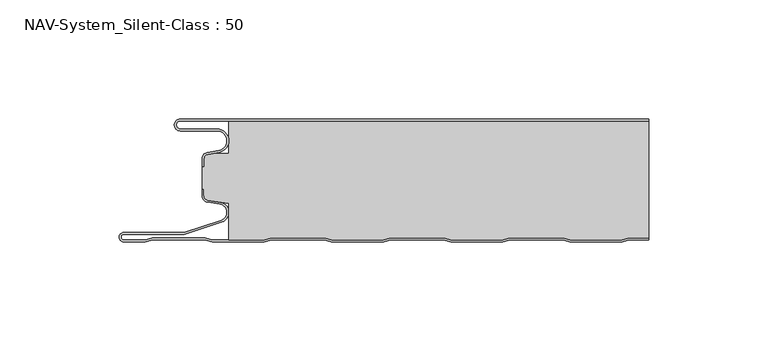
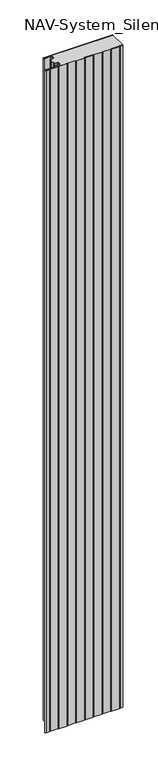
"""IFC4 building model written with IfcOpenShell, lengths in millimetres: plate geometry, NAV-System_Silent-Class : 50."""

from ifc_helpers import new_model, si_unit, frame, origin, place, context, project, spatial, polyline, circle_curve, source, transform, mapped, element, save
from ifc_brep_helpers import plane_surface, cylinder_surface, revolved_surface, advanced_brep


def nav_system_silent_class_50_6cc00ae6(model_context):
    return source(origin(), model_context, "Body", "AdvancedBrep", [
        advanced_brep(
        [(-97.0000001, -0.8000002, 0.0), (-97.0000001, -4.1999999, 0.0), (-81.6002086, -4.1999999, 0.0), (-80.7423864, -14.0049502, 0.0), (-85.6125665, -14.8636946, 0.0), (-87.1000004, -16.6363494, 0.0), (-87.1000014, -19.9421291, 0.0), (-87.9000014, -19.9421291, 0.0), (-87.9000014, -16.6363484, 0.0), (-85.7514853, -14.0758488, 0.0), (-80.8813015, -13.217104, 0.0), (-81.600205, -4.9999999, 0.0), (-97.0000001, -4.9999999, 0.0), (-97.0000001, 0.0, 0.0), (99.5, 0.0, 0.0), (99.5, -0.8, 0.0), (-97.0000001, 0.0, 2000.0), (-97.0000001, -4.9999999, 2000.0), (-81.600205, -4.9999999, 2000.0), (-80.8813015, -13.217104, 2000.0), (-85.7514853, -14.0758488, 2000.0), (-87.8999997, -16.6363484, 2000.0), (-87.9000014, -19.9421291, 2000.0), (-87.1000014, -19.9421291, 2000.0), (-87.1000014, -16.6363494, 2000.0), (-85.6125665, -14.8636946, 2000.0), (-80.7423864, -14.0049502, 2000.0), (-81.6002086, -4.1999999, 2000.0), (-97.0000001, -4.1999999, 2000.0), (-97.0000001, -0.8000002, 2000.0), (99.5, -0.8, 2000.0), (99.5, 0.0, 2000.0)],
        [
            (0, 1, circle_curve(frame((-97.0000001, -2.5, 0.0), z_axis=(0.0, 0.0, 1.0), x_axis=(1.0, 0.0, 0.0)), 1.6999999)),
            (1, 2),
            (2, 3, circle_curve(frame((-81.6002086, -9.1399999, 0.0), z_axis=(0.0, 0.0, -1.0), x_axis=(1.0, 0.0, 0.0)), 4.94)),
            (3, 4),
            (4, 5, circle_curve(frame((-85.2999995, -16.6363494, 0.0), z_axis=(0.0, 0.0, 1.0), x_axis=(1.0, 0.0, 0.0)), 1.8000009)),
            (5, 6),
            (6, 7),
            (7, 8),
            (8, 9, circle_curve(frame((-85.3000002, -16.6363484, 0.0), z_axis=(0.0, 0.0, -1.0), x_axis=(1.0, 0.0, 0.0)), 2.5999995)),
            (9, 10),
            (10, 11, circle_curve(frame((-81.600205, -9.1399999, 0.0), z_axis=(0.0, 0.0, 1.0), x_axis=(1.0, 0.0, 0.0)), 4.14)),
            (11, 12),
            (12, 13, circle_curve(frame((-97.0000001, -2.4999999, 0.0), z_axis=(0.0, 0.0, -1.0), x_axis=(1.0, 0.0, 0.0)), 2.4999999)),
            (13, 14),
            (14, 15),
            (15, 0),
            (16, 17, circle_curve(frame((-97.0000001, -2.4999999, 2000.0), z_axis=(0.0, 0.0, 1.0), x_axis=(1.0, 0.0, 0.0)), 2.4999999)),
            (17, 18),
            (18, 19, circle_curve(frame((-81.600205, -9.1399999, 2000.0), z_axis=(0.0, 0.0, -1.0), x_axis=(1.0, 0.0, 0.0)), 4.14)),
            (19, 20),
            (20, 21, circle_curve(frame((-85.3000002, -16.6363484, 2000.0), z_axis=(0.0, 0.0, 1.0), x_axis=(1.0, 0.0, 0.0)), 2.5999995)),
            (21, 22),
            (22, 23),
            (23, 24),
            (24, 25, circle_curve(frame((-85.2999995, -16.6363494, 2000.0), z_axis=(0.0, 0.0, -1.0), x_axis=(1.0, 0.0, 0.0)), 1.8000009)),
            (25, 26),
            (26, 27, circle_curve(frame((-81.6002086, -9.1399999, 2000.0), z_axis=(0.0, 0.0, 1.0), x_axis=(1.0, 0.0, 0.0)), 4.94)),
            (27, 28),
            (28, 29, circle_curve(frame((-97.0000001, -2.5, 2000.0), z_axis=(0.0, 0.0, -1.0), x_axis=(1.0, 0.0, 0.0)), 1.6999999)),
            (29, 30),
            (30, 31),
            (31, 16),
            (29, 0),
            (15, 30),
            (13, 16),
            (31, 14),
            (1, 28),
            (27, 2),
            (5, 24),
            (23, 6),
            (22, 7),
            (21, 8),
            (11, 18),
            (17, 12),
            (26, 3),
            (25, 4),
            (20, 9),
            (19, 10),
        ],
        [
            plane_surface(frame((-99.5, 0.0, 0.0), z_axis=(0.0, 0.0, -1.0), x_axis=(0.0, -1.0, 0.0))),
            plane_surface(frame((-99.5, 0.0, 2000.0), z_axis=(0.0, 0.0, 1.0), x_axis=(0.0, -1.0, 0.0))),
            plane_surface(frame((898.5000017, -0.8, 0.0), z_axis=(0.0, -1.0, 0.0), x_axis=(0.0, 0.0, 1.0))),
            plane_surface(frame((-97.0000001, 0.0, 0.0), z_axis=(0.0, 1.0, 0.0), x_axis=(0.0, 0.0, 1.0))),
            plane_surface(frame((-97.0000001, -4.1999999, 0.0), z_axis=(0.0, 1.0, 0.0), x_axis=(0.0, 0.0, 1.0))),
            plane_surface(frame((-87.1000014, -16.6363494, 0.0), z_axis=(1.0, 0.0, 0.0), x_axis=(0.0, 0.0, 1.0))),
            plane_surface(frame((-87.1000014, -19.9421291, 0.0), z_axis=(0.0, -1.0, 0.0), x_axis=(0.0, 0.0, 1.0))),
            plane_surface(frame((-87.9000014, -19.9421291, 0.0), z_axis=(-1.0, 0.0, 0.0), x_axis=(0.0, 0.0, 1.0))),
            plane_surface(frame((-81.600205, -4.9999999, 0.0), z_axis=(0.0, -1.0, 0.0), x_axis=(0.0, 0.0, 1.0))),
            revolved_surface(polyline([(-95.3000002, -2.5, 2000.0), (-95.3000002, -2.5, 0.0)]), (-97.0000001, -2.5, 0.0), (0.0, 0.0, 1.0)),
            cylinder_surface(frame((-81.6002086, -9.1399999, 0.0), z_axis=(0.0, 0.0, -1.0), x_axis=(1.0, 0.0, 0.0)), 4.94),
            plane_surface(frame((-80.7423864, -14.0049502, 0.0), z_axis=(0.17364822279076972, -0.9848077450556567, 0.0), x_axis=(0.0, 0.0, 1.0))),
            revolved_surface(polyline([(-83.4999986, -16.6363494, 2000.0), (-83.4999986, -16.6363494, 0.0)]), (-85.2999995, -16.6363494, 0.0), (0.0, 0.0, 1.0)),
            cylinder_surface(frame((-85.3000002, -16.6363484, 0.0), z_axis=(0.0, 0.0, -1.0), x_axis=(1.0, 0.0, 0.0)), 2.5999995),
            plane_surface(frame((-85.7514853, -14.0758488, 0.0), z_axis=(-0.17364817295915452, 0.984807753842316, 0.0), x_axis=(0.0, 0.0, 1.0))),
            revolved_surface(polyline([(-77.460205, -9.1399999, 2000.0), (-77.460205, -9.1399999, 0.0)]), (-81.600205, -9.1399999, 0.0), (0.0, 0.0, 1.0)),
            cylinder_surface(frame((-97.0000001, -2.4999999, 0.0), z_axis=(0.0, 0.0, -1.0), x_axis=(1.0, 0.0, 0.0)), 2.4999999),
            plane_surface(frame((99.5, 100.0, 2000.0), z_axis=(1.0, 0.0, 0.0), x_axis=(0.0, 0.0, -1.0))),
        ],
        [
            (0, [[1, 2, 3, 4, 5, 6, 7, 8, 9, 10, 11, 12, 13, 14, 15, 16]]),
            (1, [[17, 18, 19, 20, 21, 22, 23, 24, 25, 26, 27, 28, 29, 30, 31, 32]]),
            (2, [[33, -16, 34, -30]]),
            (3, [[35, -32, 36, -14]]),
            (4, [[-2, 37, -28, 38]]),
            (5, [[-6, 39, -24, 40]]),
            (6, [[-7, -40, -23, 41]]),
            (7, [[-8, -41, -22, 42]]),
            (8, [[-12, 43, -18, 44]]),
            (9, [[-1, -33, -29, -37]]),
            (10, [[-3, -38, -27, 45]]),
            (11, [[-4, -45, -26, 46]]),
            (12, [[-5, -46, -25, -39]]),
            (13, [[-9, -42, -21, 47]]),
            (14, [[-10, -47, -20, 48]]),
            (15, [[-11, -48, -19, -43]]),
            (16, [[-13, -44, -17, -35]]),
            (17, [[-15, -36, -31, -34]]),
        ],
    ),
        advanced_brep(
        [(-76.6719045, -0.8, 2000.0), (-76.6719045, -14.4343223, 2000.0), (-83.1891722, -14.4343223, 2000.0), (-85.6242625, -14.8636946, 2000.0), (-87.1116964, -16.636349, 2000.0), (-87.1116974, -19.9512003, 2000.0), (-87.9116974, -19.9512003, 2000.0), (-87.9116974, -29.3983656, 2000.0), (-87.1116974, -29.3983656, 2000.0), (-87.1116974, -32.1656409, 2000.0), (-85.4245663, -34.1410176, 2000.0), (-76.6248082, -35.5347623, 2000.0), (-76.6248082, -50.8, 2000.0), (-61.8218295, -50.8, 2000.0), (-58.7610803, -50.0, 2000.0), (-36.5891849, -50.0, 2000.0), (-33.5284357, -50.8, 2000.0), (-11.8218295, -50.8, 2000.0), (-8.7610803, -50.0, 2000.0), (13.4108151, -50.0, 2000.0), (16.4715643, -50.8, 2000.0), (38.1904, -50.8, 2000.0), (41.2511493, -50.0, 2000.0), (63.4108151, -50.0, 2000.0), (66.4715643, -50.8, 2000.0), (88.1781705, -50.8, 2000.0), (91.2389197, -50.0, 2000.0), (99.5, -50.0, 2000.0), (99.5, -0.8, 2000.0), (91.2389197, -50.0, 0.0), (88.1781705, -50.8, 0.0), (66.4715643, -50.8, 0.0), (63.4108151, -50.0, 0.0), (41.2511493, -50.0, 0.0), (38.1904, -50.8, 0.0), (16.4715643, -50.8, 0.0), (13.4108151, -50.0, 0.0), (-8.7610803, -50.0, 0.0), (-11.8218295, -50.8, 0.0), (-33.5284357, -50.8, 0.0), (-36.5891849, -50.0, 0.0), (-58.7610803, -50.0, 0.0), (-61.8218295, -50.8, 0.0), (-76.6248082, -50.8, 0.0), (-76.6248082, -35.5347623, 0.0), (-85.4245663, -34.1410176, 0.0), (-87.1116974, -32.1656409, 0.0), (-87.1116974, -29.3983656, 0.0), (-87.9116974, -29.3983656, 0.0), (-87.9116974, -19.9512003, 0.0), (-87.1116974, -19.9512003, 0.0), (-87.1116974, -16.636349, 0.0), (-85.6242625, -14.8636946, 0.0), (-83.1891722, -14.4343223, 0.0), (-76.6719045, -14.4343223, 0.0), (-76.6719045, -0.8, 0.0), (99.5, -0.8, 0.0), (99.5, -50.0, 0.0)],
        [
            (0, 1),
            (1, 2),
            (2, 3),
            (3, 4, circle_curve(frame((-85.3116955, -16.6363494, 2000.0), z_axis=(0.0, 0.0, 1.0), x_axis=(1.0, 0.0, 0.0)), 1.8000009)),
            (4, 5),
            (5, 6),
            (6, 7),
            (7, 8),
            (8, 9),
            (9, 10, circle_curve(frame((-85.1116974, -32.1656409, 2000.0), z_axis=(0.0, 0.0, 1.0), x_axis=(1.0, 0.0, 0.0)), 2.0)),
            (10, 11),
            (11, 12),
            (12, 13),
            (13, 14),
            (14, 15),
            (15, 16),
            (16, 17),
            (17, 18),
            (18, 19),
            (19, 20),
            (20, 21),
            (21, 22),
            (22, 23),
            (23, 24),
            (24, 25),
            (25, 26),
            (26, 27),
            (27, 28),
            (28, 0),
            (29, 30),
            (30, 31),
            (31, 32),
            (32, 33),
            (33, 34),
            (34, 35),
            (35, 36),
            (36, 37),
            (37, 38),
            (38, 39),
            (39, 40),
            (40, 41),
            (41, 42),
            (42, 43),
            (43, 44),
            (44, 45),
            (45, 46, circle_curve(frame((-85.1116974, -32.1656409, 0.0), z_axis=(0.0, 0.0, -1.0), x_axis=(1.0, 0.0, 0.0)), 2.0)),
            (46, 47),
            (47, 48),
            (48, 49),
            (49, 50),
            (50, 51),
            (51, 52, circle_curve(frame((-85.3116955, -16.6363494, 0.0), z_axis=(0.0, 0.0, -1.0), x_axis=(1.0, 0.0, 0.0)), 1.8000009)),
            (52, 53),
            (53, 54),
            (54, 55),
            (55, 56),
            (56, 57),
            (57, 29),
            (55, 0),
            (28, 56),
            (54, 1),
            (53, 2),
            (52, 3),
            (51, 4),
            (50, 5),
            (49, 6),
            (48, 7),
            (47, 8),
            (46, 9),
            (45, 10),
            (44, 11),
            (43, 12),
            (42, 13),
            (41, 14),
            (40, 15),
            (39, 16),
            (38, 17),
            (37, 18),
            (36, 19),
            (35, 20),
            (34, 21),
            (33, 22),
            (32, 23),
            (31, 24),
            (30, 25),
            (29, 26),
            (57, 27),
        ],
        [
            plane_surface(frame((-99.5, 0.0, 2000.0), z_axis=(0.0, 0.0, 1.0), x_axis=(0.0, -1.0, 0.0))),
            plane_surface(frame((-99.5, 0.0, 0.0), z_axis=(0.0, 0.0, -1.0), x_axis=(0.0, -1.0, 0.0))),
            plane_surface(frame((898.4883057, -0.8, 2000.0), z_axis=(0.0, 1.0, 0.0), x_axis=(0.0, 0.0, -1.0))),
            plane_surface(frame((-76.6719045, -0.8, 2000.0), z_axis=(-1.0, 0.0, 0.0), x_axis=(0.0, 0.0, -1.0))),
            plane_surface(frame((-76.6719045, -14.4343223, 2000.0), z_axis=(0.0, 1.0, 0.0), x_axis=(0.0, 0.0, -1.0))),
            plane_surface(frame((-83.1891722, -14.4343223, 2000.0), z_axis=(-0.17364822279077605, 0.9848077450556556, 0.0), x_axis=(0.0, 0.0, -1.0))),
            cylinder_surface(frame((-85.3116955, -16.6363494, 2000.0), z_axis=(0.0, 0.0, 1.0), x_axis=(1.0, 0.0, 0.0)), 1.8000009),
            plane_surface(frame((-87.1116974, -16.636349, 2000.0), z_axis=(-1.0, 0.0, 0.0), x_axis=(0.0, 0.0, -1.0))),
            plane_surface(frame((-87.1116974, -19.9512003, 2000.0), z_axis=(0.0, 1.0, 0.0), x_axis=(0.0, 0.0, -1.0))),
            plane_surface(frame((-87.9116974, -19.9512003, 2000.0), z_axis=(-1.0, 0.0, 0.0), x_axis=(0.0, 0.0, -1.0))),
            plane_surface(frame((-87.9116974, -29.3983656, 2000.0), z_axis=(0.0, -1.0, 0.0), x_axis=(0.0, 0.0, -1.0))),
            plane_surface(frame((-87.1116974, -29.3983656, 2000.0), z_axis=(-1.0, 0.0, 0.0), x_axis=(0.0, 0.0, -1.0))),
            cylinder_surface(frame((-85.1116974, -32.1656409, 2000.0), z_axis=(0.0, 0.0, 1.0), x_axis=(1.0, 0.0, 0.0)), 2.0),
            plane_surface(frame((-85.4245663, -34.1410176, 2000.0), z_axis=(-0.1564344650399784, -0.9876883405951777, 0.0), x_axis=(0.0, 0.0, -1.0))),
            plane_surface(frame((-76.6248082, -35.5347623, 2000.0), z_axis=(-1.0, 0.0, 0.0), x_axis=(0.0, 0.0, -1.0))),
            plane_surface(frame((-76.6248082, -50.8, 2000.0), z_axis=(0.0, -1.0, 0.0), x_axis=(0.0, 0.0, -1.0))),
            plane_surface(frame((-61.8218295, -50.8, 2000.0), z_axis=(0.2528787310081783, -0.9674979831522613, 0.0), x_axis=(0.0, 0.0, -1.0))),
            plane_surface(frame((-58.7610803, -50.0, 2000.0), z_axis=(0.0, -1.0, 0.0), x_axis=(0.0, 0.0, -1.0))),
            plane_surface(frame((-36.5891849, -50.0, 2000.0), z_axis=(-0.2528787310100107, -0.9674979831517825, 0.0), x_axis=(0.0, 0.0, -1.0))),
            plane_surface(frame((-33.5284357, -50.8, 2000.0), z_axis=(0.0, -1.0, 0.0), x_axis=(0.0, 0.0, -1.0))),
            plane_surface(frame((-11.8218295, -50.8, 2000.0), z_axis=(0.2528787310082462, -0.9674979831522437, 0.0), x_axis=(0.0, 0.0, -1.0))),
            plane_surface(frame((-8.7610803, -50.0, 2000.0), z_axis=(0.0, -1.0, 0.0), x_axis=(0.0, 0.0, -1.0))),
            plane_surface(frame((13.4108151, -50.0, 2000.0), z_axis=(-0.25287873100843644, -0.9674979831521939, 0.0), x_axis=(0.0, 0.0, -1.0))),
            plane_surface(frame((16.4715643, -50.8, 2000.0), z_axis=(0.0, -1.0, 0.0), x_axis=(0.0, 0.0, -1.0))),
            plane_surface(frame((38.1904, -50.8, 2000.0), z_axis=(0.25287873100806824, -0.9674979831522902, 0.0), x_axis=(0.0, 0.0, -1.0))),
            plane_surface(frame((41.2511493, -50.0, 2000.0), z_axis=(0.0, -1.0, 0.0), x_axis=(0.0, 0.0, -1.0))),
            plane_surface(frame((63.4108151, -50.0, 2000.0), z_axis=(-0.25287873100835406, -0.9674979831522155, 0.0), x_axis=(0.0, 0.0, -1.0))),
            plane_surface(frame((66.4715643, -50.8, 2000.0), z_axis=(0.0, -1.0, 0.0), x_axis=(0.0, 0.0, -1.0))),
            plane_surface(frame((88.1781705, -50.8, 2000.0), z_axis=(0.25287873100822345, -0.9674979831522497, 0.0), x_axis=(0.0, 0.0, -1.0))),
            plane_surface(frame((91.2389197, -50.0, 2000.0), z_axis=(0.0, -1.0, 0.0), x_axis=(0.0, 0.0, -1.0))),
            plane_surface(frame((99.5, 100.0, 2000.0), z_axis=(1.0, 0.0, 0.0), x_axis=(0.0, 0.0, -1.0))),
        ],
        [
            (0, [[1, 2, 3, 4, 5, 6, 7, 8, 9, 10, 11, 12, 13, 14, 15, 16, 17, 18, 19, 20, 21, 22, 23, 24, 25, 26, 27, 28, 29]]),
            (1, [[30, 31, 32, 33, 34, 35, 36, 37, 38, 39, 40, 41, 42, 43, 44, 45, 46, 47, 48, 49, 50, 51, 52, 53, 54, 55, 56, 57, 58]]),
            (2, [[59, -29, 60, -56]]),
            (3, [[-1, -59, -55, 61]]),
            (4, [[-2, -61, -54, 62]]),
            (5, [[-3, -62, -53, 63]]),
            (6, [[-4, -63, -52, 64]]),
            (7, [[-5, -64, -51, 65]]),
            (8, [[-6, -65, -50, 66]]),
            (9, [[-7, -66, -49, 67]]),
            (10, [[-8, -67, -48, 68]]),
            (11, [[-9, -68, -47, 69]]),
            (12, [[-10, -69, -46, 70]]),
            (13, [[-11, -70, -45, 71]]),
            (14, [[-12, -71, -44, 72]]),
            (15, [[-13, -72, -43, 73]]),
            (16, [[-14, -73, -42, 74]]),
            (17, [[-15, -74, -41, 75]]),
            (18, [[-16, -75, -40, 76]]),
            (19, [[-17, -76, -39, 77]]),
            (20, [[-18, -77, -38, 78]]),
            (21, [[-19, -78, -37, 79]]),
            (22, [[-20, -79, -36, 80]]),
            (23, [[-21, -80, -35, 81]]),
            (24, [[-22, -81, -34, 82]]),
            (25, [[-23, -82, -33, 83]]),
            (26, [[-24, -83, -32, 84]]),
            (27, [[-25, -84, -31, 85]]),
            (28, [[-26, -85, -30, 86]]),
            (29, [[-86, -58, 87, -27]]),
            (30, [[-28, -87, -57, -60]]),
        ],
    ),
        advanced_brep(
        [(91.239397, -50.0, 2000.0), (88.1786477, -50.8, 2000.0), (66.4720416, -50.8, 2000.0), (63.4112923, -50.0, 2000.0), (41.2516265, -50.0, 2000.0), (38.1908772, -50.8, 2000.0), (16.4720416, -50.8, 2000.0), (13.4112923, -50.0, 2000.0), (-8.760603, -50.0, 2000.0), (-11.8213523, -50.8, 2000.0), (-33.5279584, -50.8, 2000.0), (-36.5887077, -50.0, 2000.0), (-58.760603, -50.0, 2000.0), (-61.8213523, -50.8, 2000.0), (-83.5279584, -50.8, 2000.0), (-86.5887077, -50.0, 2000.0), (-108.760603, -50.0, 2000.0), (-111.8190206, -50.7993906, 2000.0), (-120.7154182, -50.7993906, 2000.0), (-120.6771783, -48.4000003, 2000.0), (-95.3414726, -48.4000003, 2000.0), (-79.6231923, -43.2926893, 2000.0), (-80.2358126, -34.9629887, 2000.0), (-85.4240891, -34.1412465, 2000.0), (-87.1112201, -32.1658698, 2000.0), (-87.1112201, -29.3985945, 2000.0), (-87.9112201, -29.3985945, 2000.0), (-87.9112201, -32.1658698, 2000.0), (-85.5140582, -34.93674, 2000.0), (-80.4044746, -35.7460185, 2000.0), (-79.8704103, -42.5316172, 2000.0), (-95.4681798, -47.6000003, 2000.0), (-120.6771783, -47.6000003, 2000.0), (-120.726556, -51.5993906, 2000.0), (-111.7161981, -51.5993906, 2000.0), (-108.6577806, -50.8, 2000.0), (-86.6915302, -50.8, 2000.0), (-83.6307809, -51.6, 2000.0), (-61.7185298, -51.6, 2000.0), (-58.6577806, -50.8, 2000.0), (-36.6915302, -50.8, 2000.0), (-33.6307809, -51.6, 2000.0), (-11.7185298, -51.6, 2000.0), (-8.6577806, -50.8, 2000.0), (13.3084698, -50.8, 2000.0), (16.3692191, -51.6, 2000.0), (38.2936997, -51.6, 2000.0), (41.354449, -50.8, 2000.0), (63.3084698, -50.8, 2000.0), (66.3692191, -51.6, 2000.0), (88.2814702, -51.6, 2000.0), (91.3422194, -50.8, 2000.0), (99.5, -50.8, 2000.0), (99.5, -50.0, 2000.0), (91.3422194, -50.8, 0.0), (88.2814702, -51.6, 0.0), (66.3692191, -51.6, 0.0), (63.3084698, -50.8, 0.0), (41.354449, -50.8, 0.0), (38.2936997, -51.6, 0.0), (16.3692191, -51.6, 0.0), (13.3084698, -50.8, 0.0), (-8.6577806, -50.8, 0.0), (-11.7185298, -51.6, 0.0), (-33.6307809, -51.6, 0.0), (-36.6915302, -50.8, 0.0), (-58.6577806, -50.8, 0.0), (-61.7185298, -51.6, 0.0), (-83.6307809, -51.6, 0.0), (-86.6915302, -50.8, 0.0), (-108.6577806, -50.8, 0.0), (-111.7161981, -51.5993906, 0.0), (-120.726556, -51.5993906, 0.0), (-120.6771783, -47.6000003, 0.0), (-95.4681798, -47.6000003, 0.0), (-79.8704103, -42.5318461, 0.0), (-80.4044746, -35.7460185, 0.0), (-85.5140582, -34.93674, 0.0), (-87.9112201, -32.1658698, 0.0), (-87.9112201, -29.3985945, 0.0), (-87.1112201, -29.3985945, 0.0), (-87.1112201, -32.1658698, 0.0), (-85.4240891, -34.1412465, 0.0), (-80.2358126, -34.9629887, 0.0), (-79.6231923, -43.2924604, 0.0), (-95.3414726, -48.4000003, 0.0), (-120.6771783, -48.4000003, 0.0), (-120.7154182, -50.7993906, 0.0), (-111.8190206, -50.7993906, 0.0), (-108.760603, -50.0, 0.0), (-86.5887077, -50.0, 0.0), (-83.5279584, -50.8, 0.0), (-61.8213523, -50.8, 0.0), (-58.760603, -50.0, 0.0), (-36.5887077, -50.0, 0.0), (-33.5279584, -50.8, 0.0), (-11.8213523, -50.8, 0.0), (-8.760603, -50.0, 0.0), (13.4112923, -50.0, 0.0), (16.4720416, -50.8, 0.0), (38.1908772, -50.8, 0.0), (41.2516265, -50.0, 0.0), (63.4112923, -50.0, 0.0), (66.4720416, -50.8, 0.0), (88.1786477, -50.8, 0.0), (91.239397, -50.0, 0.0), (99.5, -50.0, 0.0), (99.5, -50.8, 0.0)],
        [
            (0, 1),
            (1, 2),
            (2, 3),
            (3, 4),
            (4, 5),
            (5, 6),
            (6, 7),
            (7, 8),
            (8, 9),
            (9, 10),
            (10, 11),
            (11, 12),
            (12, 13),
            (13, 14),
            (14, 15),
            (15, 16),
            (16, 17),
            (17, 18),
            (18, 19, circle_curve(frame((-120.6771783, -49.6000001, 2000.0), z_axis=(0.0, 0.0, -1.0), x_axis=(1.0, 0.0, 0.0)), 1.1999999)),
            (19, 20),
            (20, 21),
            (21, 22, circle_curve(frame((-80.9519964, -39.2029275, 2000.0), z_axis=(0.0, 0.0, 1.0), x_axis=(1.0, 0.0, 0.0)), 4.3)),
            (22, 23),
            (23, 24, circle_curve(frame((-85.1112201, -32.1658698, 2000.0), z_axis=(0.0, 0.0, -1.0), x_axis=(1.0, 0.0, 0.0)), 2.0)),
            (24, 25),
            (25, 26),
            (26, 27),
            (27, 28, circle_curve(frame((-85.1112201, -32.1658698, 2000.0), z_axis=(0.0, 0.0, 1.0), x_axis=(1.0, 0.0, 0.0)), 2.8)),
            (28, 29),
            (29, 30, circle_curve(frame((-80.9519952, -39.2029277, 2000.0), z_axis=(0.0, 0.0, -1.0), x_axis=(1.0, 0.0, 0.0)), 3.5)),
            (30, 31),
            (31, 32),
            (32, 33, circle_curve(frame((-120.6771783, -49.6000003, 2000.0), z_axis=(0.0, 0.0, 1.0), x_axis=(1.0, 0.0, 0.0)), 1.9999999)),
            (33, 34),
            (34, 35),
            (35, 36),
            (36, 37),
            (37, 38),
            (38, 39),
            (39, 40),
            (40, 41),
            (41, 42),
            (42, 43),
            (43, 44),
            (44, 45),
            (45, 46),
            (46, 47),
            (47, 48),
            (48, 49),
            (49, 50),
            (50, 51),
            (51, 52),
            (52, 53),
            (53, 0),
            (54, 55),
            (55, 56),
            (56, 57),
            (57, 58),
            (58, 59),
            (59, 60),
            (60, 61),
            (61, 62),
            (62, 63),
            (63, 64),
            (64, 65),
            (65, 66),
            (66, 67),
            (67, 68),
            (68, 69),
            (69, 70),
            (70, 71),
            (71, 72),
            (72, 73, circle_curve(frame((-120.6771783, -49.6000003, 0.0), z_axis=(0.0, 0.0, -1.0), x_axis=(1.0, 0.0, 0.0)), 1.9999999)),
            (73, 74),
            (74, 75),
            (75, 76, circle_curve(frame((-80.9519952, -39.2029277, 0.0), z_axis=(0.0, 0.0, 1.0), x_axis=(1.0, 0.0, 0.0)), 3.5)),
            (76, 77),
            (77, 78, circle_curve(frame((-85.1112201, -32.1658698, 0.0), z_axis=(0.0, 0.0, -1.0), x_axis=(1.0, 0.0, 0.0)), 2.8)),
            (78, 79),
            (79, 80),
            (80, 81),
            (81, 82, circle_curve(frame((-85.1112201, -32.1658698, 0.0), z_axis=(0.0, 0.0, 1.0), x_axis=(1.0, 0.0, 0.0)), 2.0)),
            (82, 83),
            (83, 84, circle_curve(frame((-80.9519964, -39.2029275, 0.0), z_axis=(0.0, 0.0, -1.0), x_axis=(1.0, 0.0, 0.0)), 4.3)),
            (84, 85),
            (85, 86),
            (86, 87, circle_curve(frame((-120.6771783, -49.6000001, 0.0), z_axis=(0.0, 0.0, 1.0), x_axis=(1.0, 0.0, 0.0)), 1.1999999)),
            (87, 88),
            (88, 89),
            (89, 90),
            (90, 91),
            (91, 92),
            (92, 93),
            (93, 94),
            (94, 95),
            (95, 96),
            (96, 97),
            (97, 98),
            (98, 99),
            (99, 100),
            (100, 101),
            (101, 102),
            (102, 103),
            (103, 104),
            (104, 105),
            (105, 106),
            (106, 107),
            (107, 54),
            (17, 88),
            (87, 18),
            (86, 19),
            (85, 20),
            (84, 21),
            (22, 83),
            (82, 23),
            (81, 24),
            (80, 25),
            (79, 26),
            (78, 27),
            (77, 28),
            (30, 75),
            (74, 31),
            (73, 32),
            (72, 33),
            (71, 34),
            (105, 0),
            (53, 106),
            (104, 1),
            (103, 2),
            (102, 3),
            (101, 4),
            (100, 5),
            (99, 6),
            (98, 7),
            (97, 8),
            (96, 9),
            (95, 10),
            (94, 11),
            (93, 12),
            (92, 13),
            (91, 14),
            (90, 15),
            (89, 16),
            (76, 29),
            (70, 35),
            (69, 36),
            (68, 37),
            (67, 38),
            (66, 39),
            (65, 40),
            (64, 41),
            (63, 42),
            (62, 43),
            (61, 44),
            (60, 45),
            (59, 46),
            (58, 47),
            (57, 48),
            (56, 49),
            (55, 50),
            (54, 51),
            (107, 52),
        ],
        [
            plane_surface(frame((-99.5, -51.6, 2000.0), z_axis=(0.0, 0.0, 1.0), x_axis=(-1.0, 0.0, 0.0))),
            plane_surface(frame((-99.5, -51.6, 0.0), z_axis=(0.0, 0.0, -1.0), x_axis=(-1.0, 0.0, 0.0))),
            plane_surface(frame((-111.8190206, -50.7993906, 2000.0), z_axis=(0.0, 1.0, 0.0), x_axis=(0.0, 0.0, -1.0))),
            revolved_surface(polyline([(-119.4771784, -49.6000001, 0.0), (-119.4771784, -49.6000001, 2000.0)]), (-120.6771783, -49.6000001, 2000.0), (0.0, 0.0, -1.0)),
            plane_surface(frame((-120.6771783, -48.4000003, 2000.0), z_axis=(0.0, -1.0, 0.0), x_axis=(0.0, 0.0, -1.0))),
            plane_surface(frame((-95.3414726, -48.4000003, 2000.0), z_axis=(0.30902422182651945, -0.9510541679234229, 0.0), x_axis=(0.0, 0.0, -1.0))),
            plane_surface(frame((-80.2358126, -34.9629887, 2000.0), z_axis=(0.15643446504003203, 0.9876883405951694, 0.0), x_axis=(0.0, 0.0, -1.0))),
            revolved_surface(polyline([(-83.1112201, -32.1658698, 0.0), (-83.1112201, -32.1658698, 2000.0)]), (-85.1112201, -32.1658698, 2000.0), (0.0, 0.0, -1.0)),
            plane_surface(frame((-87.1112201, -32.1658698, 2000.0), z_axis=(1.0, 0.0, 0.0), x_axis=(0.0, 0.0, -1.0))),
            plane_surface(frame((-87.1112201, -29.3985945, 2000.0), z_axis=(0.0, 1.0, 0.0), x_axis=(0.0, 0.0, -1.0))),
            plane_surface(frame((-87.9112201, -29.3985945, 2000.0), z_axis=(-1.0, 0.0, 0.0), x_axis=(0.0, 0.0, -1.0))),
            cylinder_surface(frame((-85.1112201, -32.1658698, 2000.0), z_axis=(0.0, 0.0, 1.0), x_axis=(1.0, 0.0, 0.0)), 2.8),
            plane_surface(frame((-79.8704103, -42.5318461, 2000.0), z_axis=(-0.3090242543637345, 0.9510541573511668, 0.0), x_axis=(0.0, 0.0, -1.0))),
            plane_surface(frame((-95.4681798, -47.6000003, 2000.0), z_axis=(0.0, 1.0, 0.0), x_axis=(0.0, 0.0, -1.0))),
            cylinder_surface(frame((-120.6771783, -49.6000003, 2000.0), z_axis=(0.0, 0.0, 1.0), x_axis=(1.0, 0.0, 0.0)), 1.9999999),
            plane_surface(frame((-120.726556, -51.5993906, 2000.0), z_axis=(0.0, -1.0, 0.0), x_axis=(0.0, 0.0, -1.0))),
            plane_surface(frame((113.4112923, -50.0, 2000.0), z_axis=(0.0, 1.0, 0.0), x_axis=(0.0, 0.0, -1.0))),
            plane_surface(frame((91.239397, -50.0, 2000.0), z_axis=(-0.25287873100816, 0.9674979831522662, 0.0), x_axis=(0.0, 0.0, -1.0))),
            plane_surface(frame((88.1786477, -50.8, 2000.0), z_axis=(0.0, 1.0, 0.0), x_axis=(0.0, 0.0, -1.0))),
            plane_surface(frame((66.4720416, -50.8, 2000.0), z_axis=(0.2528787310081598, 0.9674979831522662, 0.0), x_axis=(0.0, 0.0, -1.0))),
            plane_surface(frame((63.4112923, -50.0, 2000.0), z_axis=(0.0, 1.0, 0.0), x_axis=(0.0, 0.0, -1.0))),
            plane_surface(frame((41.2516265, -50.0, 2000.0), z_axis=(-0.25287873100816, 0.9674979831522662, 0.0), x_axis=(0.0, 0.0, -1.0))),
            plane_surface(frame((38.1908772, -50.8, 2000.0), z_axis=(0.0, 1.0, 0.0), x_axis=(0.0, 0.0, -1.0))),
            plane_surface(frame((16.4720416, -50.8, 2000.0), z_axis=(0.2528787310083406, 0.9674979831522191, 0.0), x_axis=(0.0, 0.0, -1.0))),
            plane_surface(frame((13.4112923, -50.0, 2000.0), z_axis=(0.0, 1.0, 0.0), x_axis=(0.0, 0.0, -1.0))),
            plane_surface(frame((-8.760603, -50.0, 2000.0), z_axis=(-0.25287873100834074, 0.9674979831522189, 0.0), x_axis=(0.0, 0.0, -1.0))),
            plane_surface(frame((-11.8213523, -50.8, 2000.0), z_axis=(0.0, 1.0, 0.0), x_axis=(0.0, 0.0, -1.0))),
            plane_surface(frame((-33.5279584, -50.8, 2000.0), z_axis=(0.2528787310081598, 0.9674979831522662, 0.0), x_axis=(0.0, 0.0, -1.0))),
            plane_surface(frame((-36.5887077, -50.0, 2000.0), z_axis=(0.0, 1.0, 0.0), x_axis=(0.0, 0.0, -1.0))),
            plane_surface(frame((-58.760603, -50.0, 2000.0), z_axis=(-0.25287873100816, 0.9674979831522662, 0.0), x_axis=(0.0, 0.0, -1.0))),
            plane_surface(frame((-61.8213523, -50.8, 2000.0), z_axis=(0.0, 1.0, 0.0), x_axis=(0.0, 0.0, -1.0))),
            plane_surface(frame((-83.5279584, -50.8, 2000.0), z_axis=(0.2528787310081598, 0.9674979831522662, 0.0), x_axis=(0.0, 0.0, -1.0))),
            plane_surface(frame((-86.5887077, -50.0, 2000.0), z_axis=(0.0, 1.0, 0.0), x_axis=(0.0, 0.0, -1.0))),
            plane_surface(frame((-108.760603, -50.0, 2000.0), z_axis=(-0.25287873100816, 0.9674979831522662, 0.0), x_axis=(0.0, 0.0, -1.0))),
            cylinder_surface(frame((-80.9519964, -39.2029275, 2000.0), z_axis=(0.0, 0.0, 1.0), x_axis=(1.0, 0.0, 0.0)), 4.3),
            plane_surface(frame((-85.5140582, -34.93674, 2000.0), z_axis=(-0.15643446504045883, -0.9876883405951018, 0.0), x_axis=(0.0, 0.0, -1.0))),
            revolved_surface(polyline([(-77.4519952, -39.2029277, 0.0), (-77.4519952, -39.2029277, 2000.0)]), (-80.9519952, -39.2029277, 2000.0), (0.0, 0.0, -1.0)),
            plane_surface(frame((-111.7161981, -51.5993906, 2000.0), z_axis=(0.25287873100765673, -0.9674979831523978, 0.0), x_axis=(0.0, 0.0, -1.0))),
            plane_surface(frame((-108.6577806, -50.8, 2000.0), z_axis=(0.0, -1.0, 0.0), x_axis=(0.0, 0.0, -1.0))),
            plane_surface(frame((-86.6915302, -50.8, 2000.0), z_axis=(-0.2528787310076565, -0.9674979831523979, 0.0), x_axis=(0.0, 0.0, -1.0))),
            plane_surface(frame((-83.6307809, -51.6, 2000.0), z_axis=(0.0, -1.0, 0.0), x_axis=(0.0, 0.0, -1.0))),
            plane_surface(frame((-61.7185298, -51.6, 2000.0), z_axis=(0.25287873100765673, -0.9674979831523978, 0.0), x_axis=(0.0, 0.0, -1.0))),
            plane_surface(frame((-58.6577806, -50.8, 2000.0), z_axis=(0.0, -1.0, 0.0), x_axis=(0.0, 0.0, -1.0))),
            plane_surface(frame((-36.6915302, -50.8, 2000.0), z_axis=(-0.2528787310078372, -0.9674979831523505, 0.0), x_axis=(0.0, 0.0, -1.0))),
            plane_surface(frame((-33.6307809, -51.6, 2000.0), z_axis=(0.0, -1.0, 0.0), x_axis=(0.0, 0.0, -1.0))),
            plane_surface(frame((-11.7185298, -51.6, 2000.0), z_axis=(0.2528787310078374, -0.9674979831523505, 0.0), x_axis=(0.0, 0.0, -1.0))),
            plane_surface(frame((-8.6577806, -50.8, 2000.0), z_axis=(0.0, -1.0, 0.0), x_axis=(0.0, 0.0, -1.0))),
            plane_surface(frame((13.3084698, -50.8, 2000.0), z_axis=(-0.2528787310078372, -0.9674979831523505, 0.0), x_axis=(0.0, 0.0, -1.0))),
            plane_surface(frame((16.3692191, -51.6, 2000.0), z_axis=(0.0, -1.0, 0.0), x_axis=(0.0, 0.0, -1.0))),
            plane_surface(frame((38.2936997, -51.6, 2000.0), z_axis=(0.2528787310083481, -0.967497983152217, 0.0), x_axis=(0.0, 0.0, -1.0))),
            plane_surface(frame((41.354449, -50.8, 2000.0), z_axis=(0.0, -1.0, 0.0), x_axis=(0.0, 0.0, -1.0))),
            plane_surface(frame((63.3084698, -50.8, 2000.0), z_axis=(-0.2528787310076565, -0.9674979831523979, 0.0), x_axis=(0.0, 0.0, -1.0))),
            plane_surface(frame((66.3692191, -51.6, 2000.0), z_axis=(0.0, -1.0, 0.0), x_axis=(0.0, 0.0, -1.0))),
            plane_surface(frame((88.2814702, -51.6, 2000.0), z_axis=(0.25287873100765673, -0.9674979831523978, 0.0), x_axis=(0.0, 0.0, -1.0))),
            plane_surface(frame((91.3422194, -50.8, 2000.0), z_axis=(0.0, -1.0, 0.0), x_axis=(0.0, 0.0, -1.0))),
            plane_surface(frame((99.5, 100.0, 2000.0), z_axis=(1.0, 0.0, 0.0), x_axis=(0.0, 0.0, -1.0))),
        ],
        [
            (0, [[1, 2, 3, 4, 5, 6, 7, 8, 9, 10, 11, 12, 13, 14, 15, 16, 17, 18, 19, 20, 21, 22, 23, 24, 25, 26, 27, 28, 29, 30, 31, 32, 33, 34, 35, 36, 37, 38, 39, 40, 41, 42, 43, 44, 45, 46, 47, 48, 49, 50, 51, 52, 53, 54]]),
            (1, [[55, 56, 57, 58, 59, 60, 61, 62, 63, 64, 65, 66, 67, 68, 69, 70, 71, 72, 73, 74, 75, 76, 77, 78, 79, 80, 81, 82, 83, 84, 85, 86, 87, 88, 89, 90, 91, 92, 93, 94, 95, 96, 97, 98, 99, 100, 101, 102, 103, 104, 105, 106, 107, 108]]),
            (2, [[-18, 109, -88, 110]]),
            (3, [[-19, -110, -87, 111]]),
            (4, [[-20, -111, -86, 112]]),
            (5, [[-21, -112, -85, 113]]),
            (6, [[-23, 114, -83, 115]]),
            (7, [[-24, -115, -82, 116]]),
            (8, [[-25, -116, -81, 117]]),
            (9, [[-26, -117, -80, 118]]),
            (10, [[-27, -118, -79, 119]]),
            (11, [[-28, -119, -78, 120]]),
            (12, [[-31, 121, -75, 122]]),
            (13, [[-32, -122, -74, 123]]),
            (14, [[-33, -123, -73, 124]]),
            (15, [[-34, -124, -72, 125]]),
            (16, [[126, -54, 127, -106]]),
            (17, [[-1, -126, -105, 128]]),
            (18, [[-2, -128, -104, 129]]),
            (19, [[-3, -129, -103, 130]]),
            (20, [[-4, -130, -102, 131]]),
            (21, [[-5, -131, -101, 132]]),
            (22, [[-6, -132, -100, 133]]),
            (23, [[-7, -133, -99, 134]]),
            (24, [[-8, -134, -98, 135]]),
            (25, [[-9, -135, -97, 136]]),
            (26, [[-10, -136, -96, 137]]),
            (27, [[-11, -137, -95, 138]]),
            (28, [[-12, -138, -94, 139]]),
            (29, [[-13, -139, -93, 140]]),
            (30, [[-14, -140, -92, 141]]),
            (31, [[-15, -141, -91, 142]]),
            (32, [[-16, -142, -90, 143]]),
            (33, [[-17, -143, -89, -109]]),
            (34, [[-22, -113, -84, -114]]),
            (35, [[-29, -120, -77, 144]]),
            (36, [[-30, -144, -76, -121]]),
            (37, [[-35, -125, -71, 145]]),
            (38, [[-36, -145, -70, 146]]),
            (39, [[-37, -146, -69, 147]]),
            (40, [[-38, -147, -68, 148]]),
            (41, [[-39, -148, -67, 149]]),
            (42, [[-40, -149, -66, 150]]),
            (43, [[-41, -150, -65, 151]]),
            (44, [[-42, -151, -64, 152]]),
            (45, [[-43, -152, -63, 153]]),
            (46, [[-44, -153, -62, 154]]),
            (47, [[-45, -154, -61, 155]]),
            (48, [[-46, -155, -60, 156]]),
            (49, [[-47, -156, -59, 157]]),
            (50, [[-48, -157, -58, 158]]),
            (51, [[-49, -158, -57, 159]]),
            (52, [[-50, -159, -56, 160]]),
            (53, [[-51, -160, -55, 161]]),
            (54, [[-161, -108, 162, -52]]),
            (55, [[-53, -162, -107, -127]]),
        ],
    ),
    ])


if __name__ == "__main__":
    model = new_model("IFC4")
    model_context = context("Model", 3, world=origin())
    ifc_project = project(units=[si_unit("LENGTHUNIT", "METRE", prefix="MILLI")], contexts=[model_context])
    site = spatial("IfcSite", under=ifc_project)
    building = spatial("IfcBuilding", under=site)
    placement = place(None, origin())
    nav_system_silent_class_50_shape = nav_system_silent_class_50_6cc00ae6(model_context)
    element("IfcPlate", 1, ObjectType="NAV-System_Silent-Class : 50", at=placement, inside=building, context=model_context, shape_type="MappedRepresentation", body=[
        mapped(nav_system_silent_class_50_shape, transform((0.0, 0.0, 0.0), x_axis=(1.0, 0.0, 0.0), y_axis=(0.0, 1.0, 0.0), z_axis=(0.0, 0.0, 1.0))),
    ])
    save(model, "model.ifc")
